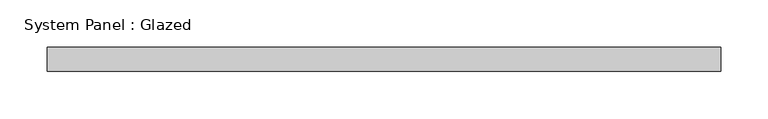
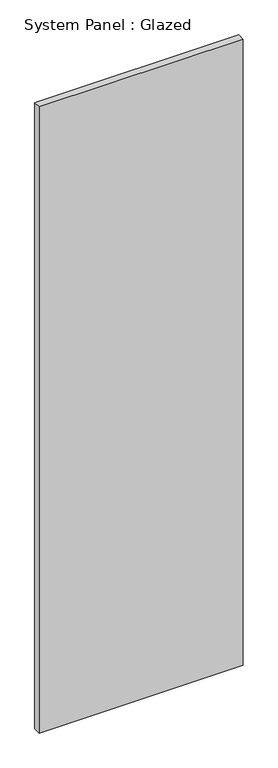
"""IFC4 building model written with IfcOpenShell, lengths in millimetres: plate geometry, System Panel : Glazed."""

from ifc_helpers import new_model, si_unit, origin, origin_with_axes, place, context, project, spatial, polyline, outline, extrude, source, transform, mapped, element, save


def system_panel_glazed_6858d839(model_context):
    return source(origin(), model_context, "Body", "SweptSolid", [
        extrude(outline(polyline([(355.0, -49.5), (-355.0, -49.5), (-355.0, -24.5), (355.0, -24.5), (355.0, -49.5)])), origin_with_axes(), (0.0, 0.0, 1.0), 2300.0),
    ])


if __name__ == "__main__":
    model = new_model("IFC4")
    model_context = context("Model", 3, world=origin())
    ifc_project = project(units=[si_unit("LENGTHUNIT", "METRE", prefix="MILLI")], contexts=[model_context])
    site = spatial("IfcSite", under=ifc_project)
    building = spatial("IfcBuilding", under=site)
    placement = place(None, origin())
    system_panel_glazed_shape = system_panel_glazed_6858d839(model_context)
    element("IfcPlate", 1, ObjectType="System Panel : Glazed", at=placement, inside=building, context=model_context, shape_type="MappedRepresentation", body=[
        mapped(system_panel_glazed_shape, transform((0.0, 0.0, 0.0), x_axis=(1.0, 0.0, 0.0), y_axis=(0.0, 1.0, 0.0), z_axis=(0.0, 0.0, 1.0))),
    ])
    save(model, "model.ifc")
